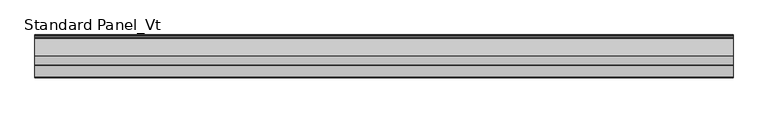
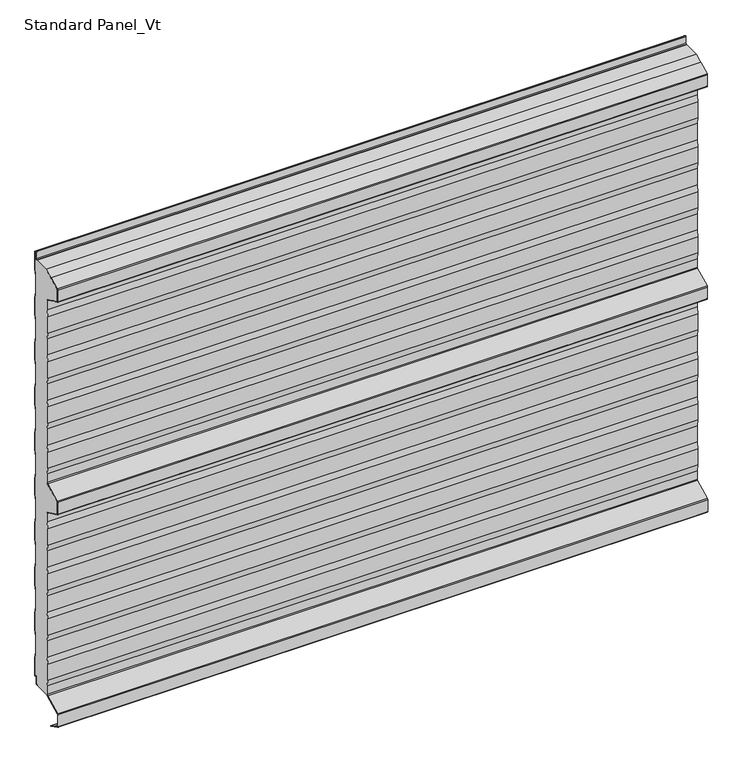
"""IFC4 building model written with IfcOpenShell, lengths in millimetres: proxy geometry, Standard Panel_Vt."""

from ifc_helpers import new_model, si_unit, point, frame, frame_2d, origin, place, context, project, spatial, polyline, circle_curve, trimmed, segment, composite_curve, outline, extrude, source, transform, mapped, element, save
from ifc_brep_helpers import plane_surface, cylinder_surface, revolved_surface, advanced_brep


def standard_panel_vt_a70492f2(model_context):
    return source(origin(), model_context, "Body", "SolidModel", [
        advanced_brep(
        [(-723.9042608, -46.7, 964.8661831), (-723.9042608, -47.9724364, 966.9238791), (-723.9042608, -75.0045421, 980.423058), (-723.9042608, -75.7702853, 980.6504112), (-723.9042608, -77.4301555, 980.8405987), (-723.9042608, -85.9201502, 985.0802964), (-723.9042608, -86.75, 986.4222721), (-723.9042608, -86.75, 1013.5777279), (-723.9042608, -85.9201502, 1014.9197036), (-723.9042608, -44.25, 1035.7287673), (-723.9042608, -8.130172, 1035.8383571), (-723.9042608, -8.130172, 1035.0383571), (-723.9042608, -6.2001721, 1035.0383571), (-723.9042608, -4.0001723, 1037.2383568), (-723.9042608, -4.0001723, 1053.568183), (-723.9042608, -0.8, 1051.4917405), (-723.9042608, -0.8, 1010.6395671), (-723.9042608, -3.3, 995.6395671), (-723.9042608, -3.3, 957.5071471), (-723.9042608, -0.8, 942.5071471), (-723.9042608, -0.8, 904.6395671), (-723.9042608, -3.3, 889.6395671), (-723.9042608, -3.3, 851.5071471), (-723.9042608, -0.8, 836.5071471), (-723.9042608, -0.8, 798.6395671), (-723.9042608, -3.3, 783.6395671), (-723.9042608, -3.3, 745.5071471), (-723.9042608, -0.8, 730.5071471), (-723.9042608, -0.8, 692.6395671), (-723.9042608, -3.3, 677.6395671), (-723.9042608, -3.3, 639.5071471), (-723.9042608, -0.8, 624.5071471), (-723.9042608, -0.8, 586.1395671), (-723.9042608, -3.3, 571.1395671), (-723.9042608, -3.3, 533.0071471), (-723.9042608, -0.8, 518.0071471), (-723.9042608, -0.8, 480.6395671), (-723.9042608, -3.3, 465.6395671), (-723.9042608, -3.3, 427.5071471), (-723.9042608, -0.8, 412.5071471), (-723.9042608, -0.8, 374.6395671), (-723.9042608, -3.3, 359.6395671), (-723.9042608, -3.3, 321.5071471), (-723.9042608, -0.8, 306.5071471), (-723.9042608, -0.8, 268.6395671), (-723.9042608, -3.3, 253.6395671), (-723.9042608, -3.3, 215.5071471), (-723.9042608, -0.8, 200.5071471), (-723.9042608, -0.8, 162.6395671), (-723.9042608, -3.3, 147.6395671), (-723.9042608, -3.3, 109.5071471), (-723.9042608, -0.8, 94.5071471), (-723.9042608, -0.8, 53.3990389), (-723.9042608, -3.3204106, 55.0344157), (-723.9042608, -6.1001721, 53.5244265), (-723.9042608, -6.1001721, 37.9383564), (-723.9042608, -7.4001714, 36.6383571), (-723.9042608, -9.4001722, 36.6383571), (-723.9042608, -9.4001722, 35.8), (-723.9042608, -47.1622719, 35.7673446), (-723.9042608, -46.7, 37.3959608), (-723.9042608, -46.7, 57.6094989), (-723.9042608, -49.2, 72.448892), (-723.9042608, -49.2, 110.5241033), (-723.9042608, -46.7, 125.3634964), (-723.9042608, -46.7, 163.6094989), (-723.9042608, -49.2, 178.448892), (-723.9042608, -49.2, 216.5241033), (-723.9042608, -46.7, 231.3634964), (-723.9042608, -46.7, 269.6094989), (-723.9042608, -49.2, 284.448892), (-723.9042608, -49.2, 322.5241033), (-723.9042608, -46.7, 337.3634964), (-723.9042608, -46.7, 375.6094989), (-723.9042608, -49.2, 390.448892), (-723.9042608, -49.2, 428.5241033), (-723.9042608, -46.7, 443.3634964), (-723.9042608, -46.7, 463.5777279), (-723.9042608, -48.415023, 466.3511443), (-723.9042608, -85.9201502, 485.0802964), (-723.9042608, -86.75, 486.4222721), (-723.9042608, -86.75, 513.5777279), (-723.9042608, -85.9201502, 514.9197036), (-723.9042608, -48.415023, 533.6488557), (-723.9042608, -46.7, 536.4222721), (-723.9042608, -46.7, 556.6365036), (-723.9042608, -49.2, 571.4758967), (-723.9042608, -49.2, 609.551108), (-723.9042608, -46.7, 624.3905011), (-723.9042608, -46.7, 662.6365036), (-723.9042608, -49.2, 677.4758967), (-723.9042608, -49.2, 715.551108), (-723.9042608, -46.7, 730.3905011), (-723.9042608, -46.7, 768.6365036), (-723.9042608, -49.2, 783.4758967), (-723.9042608, -49.2, 821.551108), (-723.9042608, -46.7, 836.3905011), (-723.9042608, -46.7, 874.6365036), (-723.9042608, -49.2, 889.4758967), (-723.9042608, -49.2, 927.551108), (-723.9042608, -46.7, 942.3905011), (723.9042608, -46.7, 964.8661831), (723.9042608, -46.7, 942.3905011), (723.9042608, -49.2, 927.551108), (723.9042608, -49.2, 889.4758967), (723.9042608, -46.7, 874.6365036), (723.9042608, -46.7, 836.3905011), (723.9042608, -49.2, 821.551108), (723.9042608, -49.2, 783.4758967), (723.9042608, -46.7, 768.6365036), (723.9042608, -46.7, 730.3905011), (723.9042608, -49.2, 715.551108), (723.9042608, -49.2, 677.4758967), (723.9042608, -46.7, 662.6365036), (723.9042608, -46.7, 624.3905011), (723.9042608, -49.2, 609.551108), (723.9042608, -49.2, 571.4758967), (723.9042608, -46.7, 556.6365036), (723.9042608, -46.7, 536.4222721), (723.9042608, -48.415023, 533.6488557), (723.9042608, -85.9201502, 514.9197036), (723.9042608, -86.75, 513.5777279), (723.9042608, -86.75, 486.4222721), (723.9042608, -85.9201502, 485.0802964), (723.9042608, -48.415023, 466.3511443), (723.9042608, -46.7, 463.5777279), (723.9042608, -46.7, 443.3634964), (723.9042608, -49.2, 428.5241033), (723.9042608, -49.2, 390.448892), (723.9042608, -46.7, 375.6094989), (723.9042608, -46.7, 337.3634964), (723.9042608, -49.2, 322.5241033), (723.9042608, -49.2, 284.448892), (723.9042608, -46.7, 269.6094989), (723.9042608, -46.7, 231.3634964), (723.9042608, -49.2, 216.5241033), (723.9042608, -49.2, 178.448892), (723.9042608, -46.7, 163.6094989), (723.9042608, -46.7, 125.3634964), (723.9042608, -49.2, 110.5241033), (723.9042608, -49.2, 72.448892), (723.9042608, -46.7, 57.6094989), (723.9042608, -46.7, 37.3959608), (723.9042608, -47.1622719, 35.7673446), (723.9042608, -9.4001722, 35.8), (723.9042608, -9.4001722, 36.6383571), (723.9042608, -7.4001714, 36.6383571), (723.9042608, -6.1001721, 37.9383564), (723.9042608, -6.1001721, 53.5244265), (723.9042608, -3.3204106, 55.0344157), (723.9042608, -0.8, 53.3990389), (723.9042608, -0.8, 94.5071471), (723.9042608, -3.3, 109.5071471), (723.9042608, -3.3, 147.6395671), (723.9042608, -0.8, 162.6395671), (723.9042608, -0.8, 200.5071471), (723.9042608, -3.3, 215.5071471), (723.9042608, -3.3, 253.6395671), (723.9042608, -0.8, 268.6395671), (723.9042608, -0.8, 306.5071471), (723.9042608, -3.3, 321.5071471), (723.9042608, -3.3, 359.6395671), (723.9042608, -0.8, 374.6395671), (723.9042608, -0.8, 412.5071471), (723.9042608, -3.3, 427.5071471), (723.9042608, -3.3, 465.6395671), (723.9042608, -0.8, 480.6395671), (723.9042608, -0.8, 518.0071471), (723.9042608, -3.3, 533.0071471), (723.9042608, -3.3, 571.1395671), (723.9042608, -0.8, 586.1395671), (723.9042608, -0.8, 624.5071471), (723.9042608, -3.3, 639.5071471), (723.9042608, -3.3, 677.6395671), (723.9042608, -0.8, 692.6395671), (723.9042608, -0.8, 730.5071471), (723.9042608, -3.3, 745.5071471), (723.9042608, -3.3, 783.6395671), (723.9042608, -0.8, 798.6395671), (723.9042608, -0.8, 836.5071471), (723.9042608, -3.3, 851.5071471), (723.9042608, -3.3, 889.6395671), (723.9042608, -0.8, 904.6395671), (723.9042608, -0.8, 942.5071471), (723.9042608, -3.3, 957.5071471), (723.9042608, -3.3, 995.6395671), (723.9042608, -0.8, 1010.6395671), (723.9042608, -0.8, 1051.4917405), (723.9042608, -4.0001723, 1053.568183), (723.9042608, -4.0001723, 1037.2383568), (723.9042608, -6.2001721, 1035.0383571), (723.9042608, -8.130172, 1035.0383571), (723.9042608, -8.130172, 1035.8383571), (723.9042608, -44.25, 1035.8), (723.9042608, -85.9201502, 1014.9197036), (723.9042608, -86.75, 1013.5777279), (723.9042608, -86.75, 986.4222721), (723.9042608, -85.9201502, 985.0802964), (723.9042608, -77.4301555, 980.8405987), (723.9042608, -75.7702853, 980.6504112), (723.9042608, -75.0045421, 980.423058), (723.9042608, -47.9724364, 966.9238791)],
        [
            (0, 1, circle_curve(frame((-723.9042608, -49.0, 964.8661831), z_axis=(1.0, 0.0, 0.0), x_axis=(0.0, 0.0, 1.0)), 2.3)),
            (1, 2),
            (2, 3, circle_curve(frame((-723.9042608, -76.0321057, 978.3653619), z_axis=(1.0, 0.0, 0.0), x_axis=(0.0, 0.0, 1.0)), 2.3)),
            (3, 4),
            (4, 5),
            (5, 6, circle_curve(frame((-723.9042608, -85.25, 986.4222721), z_axis=(-1.0, 0.0, 0.0), x_axis=(0.0, 0.0, 1.0)), 1.5)),
            (6, 7),
            (7, 8, circle_curve(frame((-723.9042608, -85.25, 1013.5777279), z_axis=(-1.0, 0.0, 0.0), x_axis=(0.0, 0.0, 1.0)), 1.5)),
            (8, 9),
            (9, 10),
            (10, 11),
            (11, 12),
            (12, 13, circle_curve(frame((-723.9042608, -6.2001721, 1037.2383568), z_axis=(1.0, 0.0, 0.0), x_axis=(0.0, 0.0, 1.0)), 2.1999997)),
            (13, 14),
            (14, 15),
            (15, 16),
            (16, 17),
            (17, 18),
            (18, 19),
            (19, 20),
            (20, 21),
            (21, 22),
            (22, 23),
            (23, 24),
            (24, 25),
            (25, 26),
            (26, 27),
            (27, 28),
            (28, 29),
            (29, 30),
            (30, 31),
            (31, 32),
            (32, 33),
            (33, 34),
            (34, 35),
            (35, 36),
            (36, 37),
            (37, 38),
            (38, 39),
            (39, 40),
            (40, 41),
            (41, 42),
            (42, 43),
            (43, 44),
            (44, 45),
            (45, 46),
            (46, 47),
            (47, 48),
            (48, 49),
            (49, 50),
            (50, 51),
            (51, 52),
            (52, 53),
            (53, 54, circle_curve(frame((-723.9042608, -4.3001721, 53.5244265), z_axis=(1.0, 0.0, 0.0), x_axis=(0.0, 0.0, 1.0)), 1.8)),
            (54, 55),
            (55, 56, circle_curve(frame((-723.9042608, -7.4001714, 37.9383564), z_axis=(-1.0, 0.0, 0.0), x_axis=(0.0, 0.0, 1.0)), 1.2999993)),
            (56, 57),
            (57, 58),
            (58, 59),
            (59, 60, circle_curve(frame((-723.9042608, -49.8, 37.3959608), z_axis=(1.0, 0.0, 0.0), x_axis=(0.0, 0.0, 1.0)), 3.1)),
            (60, 61),
            (61, 62),
            (62, 63),
            (63, 64),
            (64, 65),
            (65, 66),
            (66, 67),
            (67, 68),
            (68, 69),
            (69, 70),
            (70, 71),
            (71, 72),
            (72, 73),
            (73, 74),
            (74, 75),
            (75, 76),
            (76, 77),
            (77, 78, circle_curve(frame((-723.9042608, -49.8, 463.5777279), z_axis=(1.0, 0.0, 0.0), x_axis=(0.0, 0.0, 1.0)), 3.1)),
            (78, 79),
            (79, 80, circle_curve(frame((-723.9042608, -85.25, 486.4222721), z_axis=(-1.0, 0.0, 0.0), x_axis=(0.0, 0.0, 1.0)), 1.5)),
            (80, 81),
            (81, 82, circle_curve(frame((-723.9042608, -85.25, 513.5777279), z_axis=(-1.0, 0.0, 0.0), x_axis=(0.0, 0.0, 1.0)), 1.5)),
            (82, 83),
            (83, 84, circle_curve(frame((-723.9042608, -49.8, 536.4222721), z_axis=(1.0, 0.0, 0.0), x_axis=(0.0, 0.0, 1.0)), 3.1)),
            (84, 85),
            (85, 86),
            (86, 87),
            (87, 88),
            (88, 89),
            (89, 90),
            (90, 91),
            (91, 92),
            (92, 93),
            (93, 94),
            (94, 95),
            (95, 96),
            (96, 97),
            (97, 98),
            (98, 99),
            (99, 100),
            (100, 0),
            (101, 102),
            (102, 103),
            (103, 104),
            (104, 105),
            (105, 106),
            (106, 107),
            (107, 108),
            (108, 109),
            (109, 110),
            (110, 111),
            (111, 112),
            (112, 113),
            (113, 114),
            (114, 115),
            (115, 116),
            (116, 117),
            (117, 118),
            (118, 119, circle_curve(frame((723.9042608, -49.8, 536.4222721), z_axis=(-1.0, 0.0, 0.0), x_axis=(0.0, 0.0, 1.0)), 3.1)),
            (119, 120),
            (120, 121, circle_curve(frame((723.9042608, -85.25, 513.5777279), z_axis=(1.0, 0.0, 0.0), x_axis=(0.0, 0.0, 1.0)), 1.5)),
            (121, 122),
            (122, 123, circle_curve(frame((723.9042608, -85.25, 486.4222721), z_axis=(1.0, 0.0, 0.0), x_axis=(0.0, 0.0, 1.0)), 1.5)),
            (123, 124),
            (124, 125, circle_curve(frame((723.9042608, -49.8, 463.5777279), z_axis=(-1.0, 0.0, 0.0), x_axis=(0.0, 0.0, 1.0)), 3.1)),
            (125, 126),
            (126, 127),
            (127, 128),
            (128, 129),
            (129, 130),
            (130, 131),
            (131, 132),
            (132, 133),
            (133, 134),
            (134, 135),
            (135, 136),
            (136, 137),
            (137, 138),
            (138, 139),
            (139, 140),
            (140, 141),
            (141, 142),
            (142, 143, circle_curve(frame((723.9042608, -49.8, 37.3959608), z_axis=(-1.0, 0.0, 0.0), x_axis=(0.0, 0.0, 1.0)), 3.1)),
            (143, 144),
            (144, 145),
            (145, 146),
            (146, 147, circle_curve(frame((723.9042608, -7.4001714, 37.9383564), z_axis=(1.0, 0.0, 0.0), x_axis=(0.0, 0.0, 1.0)), 1.2999993)),
            (147, 148),
            (148, 149, circle_curve(frame((723.9042608, -4.3001721, 53.5244265), z_axis=(-1.0, 0.0, 0.0), x_axis=(0.0, 0.0, 1.0)), 1.8)),
            (149, 150),
            (150, 151),
            (151, 152),
            (152, 153),
            (153, 154),
            (154, 155),
            (155, 156),
            (156, 157),
            (157, 158),
            (158, 159),
            (159, 160),
            (160, 161),
            (161, 162),
            (162, 163),
            (163, 164),
            (164, 165),
            (165, 166),
            (166, 167),
            (167, 168),
            (168, 169),
            (169, 170),
            (170, 171),
            (171, 172),
            (172, 173),
            (173, 174),
            (174, 175),
            (175, 176),
            (176, 177),
            (177, 178),
            (178, 179),
            (179, 180),
            (180, 181),
            (181, 182),
            (182, 183),
            (183, 184),
            (184, 185),
            (185, 186),
            (186, 187),
            (187, 188),
            (188, 189),
            (189, 190, circle_curve(frame((723.9042608, -6.2001721, 1037.2383568), z_axis=(-1.0, 0.0, 0.0), x_axis=(0.0, 0.0, 1.0)), 2.1999997)),
            (190, 191),
            (191, 192),
            (192, 193),
            (193, 194),
            (194, 195, circle_curve(frame((723.9042608, -85.25, 1013.5777279), z_axis=(1.0, 0.0, 0.0), x_axis=(0.0, 0.0, 1.0)), 1.5)),
            (195, 196),
            (196, 197, circle_curve(frame((723.9042608, -85.25, 986.4222721), z_axis=(1.0, 0.0, 0.0), x_axis=(0.0, 0.0, 1.0)), 1.5)),
            (197, 198),
            (198, 199),
            (199, 200, circle_curve(frame((723.9042608, -76.0321057, 978.3653619), z_axis=(-1.0, 0.0, 0.0), x_axis=(0.0, 0.0, 1.0)), 2.3)),
            (200, 201),
            (201, 101, circle_curve(frame((723.9042608, -49.0, 964.8661831), z_axis=(-1.0, 0.0, 0.0), x_axis=(0.0, 0.0, 1.0)), 2.3)),
            (0, 101),
            (201, 1),
            (200, 2),
            (199, 3),
            (198, 4),
            (197, 5),
            (196, 6),
            (195, 7),
            (194, 8),
            (193, 9),
            (58, 144),
            (143, 59),
            (142, 60),
            (141, 61),
            (140, 62),
            (139, 63),
            (138, 64),
            (137, 65),
            (136, 66),
            (135, 67),
            (134, 68),
            (133, 69),
            (132, 70),
            (131, 71),
            (130, 72),
            (129, 73),
            (128, 74),
            (127, 75),
            (126, 76),
            (125, 77),
            (124, 78),
            (123, 79),
            (122, 80),
            (121, 81),
            (120, 82),
            (119, 83),
            (118, 84),
            (117, 85),
            (116, 86),
            (115, 87),
            (114, 88),
            (113, 89),
            (112, 90),
            (111, 91),
            (110, 92),
            (109, 93),
            (108, 94),
            (107, 95),
            (106, 96),
            (105, 97),
            (104, 98),
            (103, 99),
            (102, 100),
            (192, 10),
            (57, 145),
            (12, 190),
            (189, 13),
            (188, 14),
            (187, 15),
            (186, 16),
            (185, 17),
            (184, 18),
            (183, 19),
            (182, 20),
            (181, 21),
            (180, 22),
            (179, 23),
            (178, 24),
            (177, 25),
            (176, 26),
            (175, 27),
            (174, 28),
            (173, 29),
            (172, 30),
            (171, 31),
            (170, 32),
            (169, 33),
            (168, 34),
            (167, 35),
            (166, 36),
            (165, 37),
            (164, 38),
            (163, 39),
            (162, 40),
            (161, 41),
            (160, 42),
            (159, 43),
            (158, 44),
            (157, 45),
            (156, 46),
            (155, 47),
            (154, 48),
            (153, 49),
            (152, 50),
            (151, 51),
            (150, 52),
            (149, 53),
            (148, 54),
            (147, 55),
            (146, 56),
            (191, 11),
        ],
        [
            plane_surface(frame((-723.9042608, -49.2, 500.0), z_axis=(-1.0, 0.0, 0.0), x_axis=(0.0, 1.0, 0.0))),
            plane_surface(frame((723.9042608, -49.2, 500.0), z_axis=(1.0, 0.0, 0.0), x_axis=(0.0, 1.0, 0.0))),
            revolved_surface(polyline([(723.9042608, -49.0, 967.1661830999999), (-723.9042608, -49.0, 967.1661830999999)]), (-723.9042608, -49.0, 964.8661831), (1.0, 0.0, 0.0)),
            plane_surface(frame((-723.9042608, -75.0045421, 980.423058), z_axis=(0.0, -0.44676677293789996, -0.8946504628058127), x_axis=(1.0, 0.0, 0.0))),
            revolved_surface(polyline([(723.9042608, -76.0321057, 980.6653619), (-723.9042608, -76.0321057, 980.6653619)]), (-723.9042608, -76.0321057, 978.3653619), (1.0, 0.0, 0.0)),
            plane_surface(frame((-723.9042608, -77.4301555, 980.8405987), z_axis=(0.0, -0.11383496024223502, -0.9934996737929253), x_axis=(1.0, 0.0, 0.0))),
            plane_surface(frame((-723.9042608, -85.9201502, 985.0802964), z_axis=(0.0, -0.44676677293837186, -0.8946504628055771), x_axis=(1.0, 0.0, 0.0))),
            cylinder_surface(frame((-723.9042608, -85.25, 986.4222721), z_axis=(-1.0, 0.0, 0.0), x_axis=(0.0, 0.0, 1.0)), 1.5),
            plane_surface(frame((-723.9042608, -86.75, 1013.5777279), z_axis=(0.0, -1.0, 0.0), x_axis=(1.0, 0.0, 0.0))),
            cylinder_surface(frame((-723.9042608, -85.25, 1013.5777279), z_axis=(-1.0, 0.0, 0.0), x_axis=(0.0, 0.0, 1.0)), 1.5),
            plane_surface(frame((-723.9042608, -44.25, 1035.7287673), z_axis=(0.0, -0.44676677293660805, 0.8946504628064579), x_axis=(1.0, 0.0, 0.0))),
            plane_surface(frame((-723.9042608, -47.1622719, 35.7673446), z_axis=(0.0, 0.0, -1.0), x_axis=(1.0, 0.0, 0.0))),
            revolved_surface(polyline([(723.9042608, -49.8, 40.4959608), (-723.9042608, -49.8, 40.4959608)]), (-723.9042608, -49.8, 37.3959608), (1.0, 0.0, 0.0)),
            plane_surface(frame((-723.9042608, -46.7, 57.6094989), z_axis=(0.0, -1.0, 0.0), x_axis=(1.0, 0.0, 0.0))),
            plane_surface(frame((-723.9042608, -49.2, 72.448892), z_axis=(0.0, -0.9861039564577467, -0.16612942863435845), x_axis=(1.0, 0.0, 0.0))),
            plane_surface(frame((-723.9042608, -49.2, 110.5241033), z_axis=(0.0, -1.0, 0.0), x_axis=(1.0, 0.0, 0.0))),
            plane_surface(frame((-723.9042608, -46.7, 125.3634964), z_axis=(0.0, -0.9861039564577161, 0.1661294286345407), x_axis=(1.0, 0.0, 0.0))),
            plane_surface(frame((-723.9042608, -46.7, 163.6094989), z_axis=(0.0, -1.0, 0.0), x_axis=(1.0, 0.0, 0.0))),
            plane_surface(frame((-723.9042608, -49.2, 178.448892), z_axis=(0.0, -0.986103956457719, -0.16612942863452348), x_axis=(1.0, 0.0, 0.0))),
            plane_surface(frame((-723.9042608, -49.2, 216.5241033), z_axis=(0.0, -1.0, 0.0), x_axis=(1.0, 0.0, 0.0))),
            plane_surface(frame((-723.9042608, -46.7, 231.3634964), z_axis=(0.0, -0.9861039564577161, 0.1661294286345407), x_axis=(1.0, 0.0, 0.0))),
            plane_surface(frame((-723.9042608, -46.7, 269.6094989), z_axis=(0.0, -1.0, 0.0), x_axis=(1.0, 0.0, 0.0))),
            plane_surface(frame((-723.9042608, -49.2, 284.448892), z_axis=(0.0, -0.9861039564577467, -0.16612942863435845), x_axis=(1.0, 0.0, 0.0))),
            plane_surface(frame((-723.9042608, -49.2, 322.5241033), z_axis=(0.0, -1.0, 0.0), x_axis=(1.0, 0.0, 0.0))),
            plane_surface(frame((-723.9042608, -46.7, 337.3634964), z_axis=(0.0, -0.9861039564576843, 0.1661294286347293), x_axis=(1.0, 0.0, 0.0))),
            plane_surface(frame((-723.9042608, -46.7, 375.6094989), z_axis=(0.0, -1.0, 0.0), x_axis=(1.0, 0.0, 0.0))),
            plane_surface(frame((-723.9042608, -49.2, 390.448892), z_axis=(0.0, -0.986103956457719, -0.16612942863452348), x_axis=(1.0, 0.0, 0.0))),
            plane_surface(frame((-723.9042608, -49.2, 428.5241033), z_axis=(0.0, -1.0, 0.0), x_axis=(1.0, 0.0, 0.0))),
            plane_surface(frame((-723.9042608, -46.7, 443.3634964), z_axis=(0.0, -0.9861039564577478, 0.16612942863435207), x_axis=(1.0, 0.0, 0.0))),
            plane_surface(frame((-723.9042608, -46.7, 463.5777279), z_axis=(0.0, -1.0, 0.0), x_axis=(1.0, 0.0, 0.0))),
            revolved_surface(polyline([(723.9042608, -49.8, 466.67772790000004), (-723.9042608, -49.8, 466.67772790000004)]), (-723.9042608, -49.8, 463.5777279), (1.0, 0.0, 0.0)),
            plane_surface(frame((-723.9042608, -85.9201502, 485.0802964), z_axis=(0.0, -0.44676677293736405, -0.8946504628060804), x_axis=(1.0, 0.0, 0.0))),
            cylinder_surface(frame((-723.9042608, -85.25, 486.4222721), z_axis=(-1.0, 0.0, 0.0), x_axis=(0.0, 0.0, 1.0)), 1.5),
            plane_surface(frame((-723.9042608, -86.75, 513.5777279), z_axis=(0.0, -1.0, 0.0), x_axis=(1.0, 0.0, 0.0))),
            cylinder_surface(frame((-723.9042608, -85.25, 513.5777279), z_axis=(-1.0, 0.0, 0.0), x_axis=(0.0, 0.0, 1.0)), 1.5),
            plane_surface(frame((-723.9042608, -48.415023, 533.6488557), z_axis=(0.0, -0.4467667729375559, 0.8946504628059846), x_axis=(1.0, 0.0, 0.0))),
            revolved_surface(polyline([(723.9042608, -49.8, 539.5222721), (-723.9042608, -49.8, 539.5222721)]), (-723.9042608, -49.8, 536.4222721), (1.0, 0.0, 0.0)),
            plane_surface(frame((-723.9042608, -46.7, 556.6365036), z_axis=(0.0, -1.0, 0.0), x_axis=(1.0, 0.0, 0.0))),
            plane_surface(frame((-723.9042608, -49.2, 571.4758967), z_axis=(0.0, -0.9861039564577035, -0.16612942863461475), x_axis=(1.0, 0.0, 0.0))),
            plane_surface(frame((-723.9042608, -49.2, 609.551108), z_axis=(0.0, -1.0, 0.0), x_axis=(1.0, 0.0, 0.0))),
            plane_surface(frame((-723.9042608, -46.7, 624.3905011), z_axis=(0.0, -0.9861039564576689, 0.16612942863482055), x_axis=(1.0, 0.0, 0.0))),
            plane_surface(frame((-723.9042608, -46.7, 662.6365036), z_axis=(0.0, -1.0, 0.0), x_axis=(1.0, 0.0, 0.0))),
            plane_surface(frame((-723.9042608, -49.2, 677.4758967), z_axis=(0.0, -0.986103956457711, -0.16612942863457064), x_axis=(1.0, 0.0, 0.0))),
            plane_surface(frame((-723.9042608, -49.2, 715.551108), z_axis=(0.0, -1.0, 0.0), x_axis=(1.0, 0.0, 0.0))),
            plane_surface(frame((-723.9042608, -46.7, 730.3905011), z_axis=(0.0, -0.9861039564577478, 0.16612942863435207), x_axis=(1.0, 0.0, 0.0))),
            plane_surface(frame((-723.9042608, -46.7, 768.6365036), z_axis=(0.0, -1.0, 0.0), x_axis=(1.0, 0.0, 0.0))),
            plane_surface(frame((-723.9042608, -49.2, 783.4758967), z_axis=(0.0, -0.986103956457715, -0.16612942863454708), x_axis=(1.0, 0.0, 0.0))),
            plane_surface(frame((-723.9042608, -49.2, 821.551108), z_axis=(0.0, -1.0, 0.0), x_axis=(1.0, 0.0, 0.0))),
            plane_surface(frame((-723.9042608, -46.7, 836.3905011), z_axis=(0.0, -0.9861039564577161, 0.1661294286345407), x_axis=(1.0, 0.0, 0.0))),
            plane_surface(frame((-723.9042608, -46.7, 874.6365036), z_axis=(0.0, -1.0, 0.0), x_axis=(1.0, 0.0, 0.0))),
            plane_surface(frame((-723.9042608, -49.2, 889.4758967), z_axis=(0.0, -0.986103956457715, -0.16612942863454708), x_axis=(1.0, 0.0, 0.0))),
            plane_surface(frame((-723.9042608, -49.2, 927.551108), z_axis=(0.0, -1.0, 0.0), x_axis=(1.0, 0.0, 0.0))),
            plane_surface(frame((-723.9042608, -46.7, 942.3905011), z_axis=(0.0, -0.9861039564576843, 0.1661294286347293), x_axis=(1.0, 0.0, 0.0))),
            plane_surface(frame((-723.9042608, -46.7, 964.8661831), z_axis=(0.0, -1.0, 0.0), x_axis=(1.0, 0.0, 0.0))),
            plane_surface(frame((723.9042608, -44.25, 1035.8), z_axis=(0.0, 0.0, 1.0), x_axis=(-1.0, 0.0, 0.0))),
            plane_surface(frame((723.9042608, -9.4001722, 1035.8), z_axis=(0.0, 1.0, 0.0), x_axis=(-1.0, 0.0, 0.0))),
            revolved_surface(polyline([(723.9042608, -6.2001721, 1039.4383565), (-723.9042608, -6.2001721, 1039.4383565)]), (-723.9042608, -6.2001721, 1037.2383568), (1.0, 0.0, 0.0)),
            plane_surface(frame((-723.9042608, -4.0001723, 1053.568183), z_axis=(0.0, -1.0, 0.0), x_axis=(1.0, 0.0, 0.0))),
            plane_surface(frame((-723.9042608, -0.8, 1051.4917405), z_axis=(0.0, 0.5443119480328179, 0.8388828900560071), x_axis=(1.0, 0.0, 0.0))),
            plane_surface(frame((-723.9042608, -0.8, 1010.6395671), z_axis=(0.0, 1.0, 0.0), x_axis=(1.0, 0.0, 0.0))),
            plane_surface(frame((-723.9042608, -3.3, 995.6395671), z_axis=(0.0, 0.9863939238321534, -0.16439898730529956), x_axis=(1.0, 0.0, 0.0))),
            plane_surface(frame((-723.9042608, -3.3, 957.5071471), z_axis=(0.0, 1.0, 0.0), x_axis=(1.0, 0.0, 0.0))),
            plane_surface(frame((-723.9042608, -0.8, 942.5071471), z_axis=(0.0, 0.9863939238321456, 0.1643989873053465), x_axis=(1.0, 0.0, 0.0))),
            plane_surface(frame((-723.9042608, -0.8, 904.6395671), z_axis=(0.0, 1.0, 0.0), x_axis=(1.0, 0.0, 0.0))),
            plane_surface(frame((-723.9042608, -3.3, 889.6395671), z_axis=(0.0, 0.9863939238321452, -0.16439898730534863), x_axis=(1.0, 0.0, 0.0))),
            plane_surface(frame((-723.9042608, -3.3, 851.5071471), z_axis=(0.0, 1.0, 0.0), x_axis=(1.0, 0.0, 0.0))),
            plane_surface(frame((-723.9042608, -0.8, 836.5071471), z_axis=(0.0, 0.9863939238321413, 0.16439898730537209), x_axis=(1.0, 0.0, 0.0))),
            plane_surface(frame((-723.9042608, -0.8, 798.6395671), z_axis=(0.0, 1.0, 0.0), x_axis=(1.0, 0.0, 0.0))),
            plane_surface(frame((-723.9042608, -3.3, 783.6395671), z_axis=(0.0, 0.9863939238321713, -0.164398987305192), x_axis=(1.0, 0.0, 0.0))),
            plane_surface(frame((-723.9042608, -3.3, 745.5071471), z_axis=(0.0, 1.0, 0.0), x_axis=(1.0, 0.0, 0.0))),
            plane_surface(frame((-723.9042608, -0.8, 730.5071471), z_axis=(0.0, 0.9863939238321595, 0.16439898730526276), x_axis=(1.0, 0.0, 0.0))),
            plane_surface(frame((-723.9042608, -0.8, 692.6395671), z_axis=(0.0, 1.0, 0.0), x_axis=(1.0, 0.0, 0.0))),
            plane_surface(frame((-723.9042608, -3.3, 677.6395671), z_axis=(0.0, 0.9863939238321285, -0.16439898730544858), x_axis=(1.0, 0.0, 0.0))),
            plane_surface(frame((-723.9042608, -3.3, 639.5071471), z_axis=(0.0, 1.0, 0.0), x_axis=(1.0, 0.0, 0.0))),
            plane_surface(frame((-723.9042608, -0.8, 624.5071471), z_axis=(0.0, 0.986393923832452, 0.16439898730350827), x_axis=(1.0, 0.0, 0.0))),
            plane_surface(frame((-723.9042608, -0.8, 586.1395671), z_axis=(0.0, 1.0, 0.0), x_axis=(1.0, 0.0, 0.0))),
            plane_surface(frame((-723.9042608, -3.3, 571.1395671), z_axis=(0.0, 0.986393923832151, -0.16439898730531435), x_axis=(1.0, 0.0, 0.0))),
            plane_surface(frame((-723.9042608, -3.3, 533.0071471), z_axis=(0.0, 1.0, 0.0), x_axis=(1.0, 0.0, 0.0))),
            plane_surface(frame((-723.9042608, -0.8, 518.0071471), z_axis=(0.0, 0.9863939238329182, 0.1643989873007107), x_axis=(1.0, 0.0, 0.0))),
            plane_surface(frame((-723.9042608, -0.8, 480.6395671), z_axis=(0.0, 1.0, 0.0), x_axis=(1.0, 0.0, 0.0))),
            plane_surface(frame((-723.9042608, -3.3, 465.6395671), z_axis=(0.0, 0.986393923832576, -0.1643989873027638), x_axis=(1.0, 0.0, 0.0))),
            plane_surface(frame((-723.9042608, -3.3, 427.5071471), z_axis=(0.0, 1.0, 0.0), x_axis=(1.0, 0.0, 0.0))),
            plane_surface(frame((-723.9042608, -0.8, 412.5071471), z_axis=(0.0, 0.9863939238321462, 0.1643989873053435), x_axis=(1.0, 0.0, 0.0))),
            plane_surface(frame((-723.9042608, -0.8, 374.6395671), z_axis=(0.0, 1.0, 0.0), x_axis=(1.0, 0.0, 0.0))),
            plane_surface(frame((-723.9042608, -3.3, 359.6395671), z_axis=(0.0, 0.9863939238321415, -0.16439898730537109), x_axis=(1.0, 0.0, 0.0))),
            plane_surface(frame((-723.9042608, -3.3, 321.5071471), z_axis=(0.0, 1.0, 0.0), x_axis=(1.0, 0.0, 0.0))),
            plane_surface(frame((-723.9042608, -0.8, 306.5071471), z_axis=(0.0, 0.9863939238321462, 0.1643989873053435), x_axis=(1.0, 0.0, 0.0))),
            plane_surface(frame((-723.9042608, -0.8, 268.6395671), z_axis=(0.0, 1.0, 0.0), x_axis=(1.0, 0.0, 0.0))),
            plane_surface(frame((-723.9042608, -3.3, 253.6395671), z_axis=(0.0, 0.9863939238321723, -0.16439898730518634), x_axis=(1.0, 0.0, 0.0))),
            plane_surface(frame((-723.9042608, -3.3, 215.5071471), z_axis=(0.0, 1.0, 0.0), x_axis=(1.0, 0.0, 0.0))),
            plane_surface(frame((-723.9042608, -0.8, 200.5071471), z_axis=(0.0, 0.9863939238321462, 0.1643989873053435), x_axis=(1.0, 0.0, 0.0))),
            plane_surface(frame((-723.9042608, -0.8, 162.6395671), z_axis=(0.0, 1.0, 0.0), x_axis=(1.0, 0.0, 0.0))),
            plane_surface(frame((-723.9042608, -3.3, 147.6395671), z_axis=(0.0, 0.9863939238321415, -0.16439898730537109), x_axis=(1.0, 0.0, 0.0))),
            plane_surface(frame((-723.9042608, -3.3, 109.5071471), z_axis=(0.0, 1.0, 0.0), x_axis=(1.0, 0.0, 0.0))),
            plane_surface(frame((-723.9042608, -0.8, 94.5071471), z_axis=(0.0, 0.9863939238321769, 0.16439898730515876), x_axis=(1.0, 0.0, 0.0))),
            plane_surface(frame((-723.9042608, -0.8, 53.3990389), z_axis=(0.0, 1.0, 0.0), x_axis=(1.0, 0.0, 0.0))),
            plane_surface(frame((-723.9042608, -3.3204106, 55.0344157), z_axis=(0.0, -0.5443119480359504, -0.8388828900539747), x_axis=(1.0, 0.0, 0.0))),
            revolved_surface(polyline([(723.9042608, -4.3001721, 55.324426499999994), (-723.9042608, -4.3001721, 55.324426499999994)]), (-723.9042608, -4.3001721, 53.5244265), (1.0, 0.0, 0.0)),
            plane_surface(frame((-723.9042608, -6.1001721, 37.9383564), z_axis=(0.0, 1.0, 0.0), x_axis=(1.0, 0.0, 0.0))),
            cylinder_surface(frame((-723.9042608, -7.4001714, 37.9383564), z_axis=(-1.0, 0.0, 0.0), x_axis=(0.0, 0.0, 1.0)), 1.2999993),
            plane_surface(frame((-723.9042608, -9.4001722, 36.6383571), z_axis=(0.0, 0.0, -1.0), x_axis=(1.0, 0.0, 0.0))),
            plane_surface(frame((-723.9042608, -8.130172, 1035.0383571), z_axis=(0.0, 1.0, 0.0), x_axis=(1.0, 0.0, 0.0))),
            plane_surface(frame((-723.9042608, -6.2001721, 1035.0383571), z_axis=(0.0, 0.0, 1.0), x_axis=(1.0, 0.0, 0.0))),
        ],
        [
            (0, [[1, 2, 3, 4, 5, 6, 7, 8, 9, 10, 11, 12, 13, 14, 15, 16, 17, 18, 19, 20, 21, 22, 23, 24, 25, 26, 27, 28, 29, 30, 31, 32, 33, 34, 35, 36, 37, 38, 39, 40, 41, 42, 43, 44, 45, 46, 47, 48, 49, 50, 51, 52, 53, 54, 55, 56, 57, 58, 59, 60, 61, 62, 63, 64, 65, 66, 67, 68, 69, 70, 71, 72, 73, 74, 75, 76, 77, 78, 79, 80, 81, 82, 83, 84, 85, 86, 87, 88, 89, 90, 91, 92, 93, 94, 95, 96, 97, 98, 99, 100, 101]]),
            (1, [[102, 103, 104, 105, 106, 107, 108, 109, 110, 111, 112, 113, 114, 115, 116, 117, 118, 119, 120, 121, 122, 123, 124, 125, 126, 127, 128, 129, 130, 131, 132, 133, 134, 135, 136, 137, 138, 139, 140, 141, 142, 143, 144, 145, 146, 147, 148, 149, 150, 151, 152, 153, 154, 155, 156, 157, 158, 159, 160, 161, 162, 163, 164, 165, 166, 167, 168, 169, 170, 171, 172, 173, 174, 175, 176, 177, 178, 179, 180, 181, 182, 183, 184, 185, 186, 187, 188, 189, 190, 191, 192, 193, 194, 195, 196, 197, 198, 199, 200, 201, 202]]),
            (2, [[203, -202, 204, -1]]),
            (3, [[-204, -201, 205, -2]]),
            (4, [[-205, -200, 206, -3]]),
            (5, [[-206, -199, 207, -4]]),
            (6, [[-207, -198, 208, -5]]),
            (7, [[-208, -197, 209, -6]]),
            (8, [[-209, -196, 210, -7]]),
            (9, [[-210, -195, 211, -8]]),
            (10, [[-211, -194, 212, -9]]),
            (11, [[-59, 213, -144, 214]]),
            (12, [[-214, -143, 215, -60]]),
            (13, [[-215, -142, 216, -61]]),
            (14, [[-216, -141, 217, -62]]),
            (15, [[-217, -140, 218, -63]]),
            (16, [[-218, -139, 219, -64]]),
            (17, [[-219, -138, 220, -65]]),
            (18, [[-220, -137, 221, -66]]),
            (19, [[-221, -136, 222, -67]]),
            (20, [[-222, -135, 223, -68]]),
            (21, [[-223, -134, 224, -69]]),
            (22, [[-224, -133, 225, -70]]),
            (23, [[-225, -132, 226, -71]]),
            (24, [[-226, -131, 227, -72]]),
            (25, [[-227, -130, 228, -73]]),
            (26, [[-228, -129, 229, -74]]),
            (27, [[-229, -128, 230, -75]]),
            (28, [[-230, -127, 231, -76]]),
            (29, [[-231, -126, 232, -77]]),
            (30, [[-232, -125, 233, -78]]),
            (31, [[-233, -124, 234, -79]]),
            (32, [[-234, -123, 235, -80]]),
            (33, [[-235, -122, 236, -81]]),
            (34, [[-236, -121, 237, -82]]),
            (35, [[-237, -120, 238, -83]]),
            (36, [[-238, -119, 239, -84]]),
            (37, [[-239, -118, 240, -85]]),
            (38, [[-240, -117, 241, -86]]),
            (39, [[-241, -116, 242, -87]]),
            (40, [[-242, -115, 243, -88]]),
            (41, [[-243, -114, 244, -89]]),
            (42, [[-244, -113, 245, -90]]),
            (43, [[-245, -112, 246, -91]]),
            (44, [[-246, -111, 247, -92]]),
            (45, [[-247, -110, 248, -93]]),
            (46, [[-248, -109, 249, -94]]),
            (47, [[-249, -108, 250, -95]]),
            (48, [[-250, -107, 251, -96]]),
            (49, [[-251, -106, 252, -97]]),
            (50, [[-252, -105, 253, -98]]),
            (51, [[-253, -104, 254, -99]]),
            (52, [[-254, -103, 255, -100]]),
            (53, [[-255, -102, -203, -101]]),
            (54, [[256, -10, -212, -193]]),
            (55, [[-58, 257, -145, -213]]),
            (56, [[258, -190, 259, -13]]),
            (57, [[-259, -189, 260, -14]]),
            (58, [[-260, -188, 261, -15]]),
            (59, [[-261, -187, 262, -16]]),
            (60, [[-262, -186, 263, -17]]),
            (61, [[-263, -185, 264, -18]]),
            (62, [[-264, -184, 265, -19]]),
            (63, [[-265, -183, 266, -20]]),
            (64, [[-266, -182, 267, -21]]),
            (65, [[-267, -181, 268, -22]]),
            (66, [[-268, -180, 269, -23]]),
            (67, [[-269, -179, 270, -24]]),
            (68, [[-270, -178, 271, -25]]),
            (69, [[-271, -177, 272, -26]]),
            (70, [[-272, -176, 273, -27]]),
            (71, [[-273, -175, 274, -28]]),
            (72, [[-274, -174, 275, -29]]),
            (73, [[-275, -173, 276, -30]]),
            (74, [[-276, -172, 277, -31]]),
            (75, [[-277, -171, 278, -32]]),
            (76, [[-278, -170, 279, -33]]),
            (77, [[-279, -169, 280, -34]]),
            (78, [[-280, -168, 281, -35]]),
            (79, [[-281, -167, 282, -36]]),
            (80, [[-282, -166, 283, -37]]),
            (81, [[-283, -165, 284, -38]]),
            (82, [[-284, -164, 285, -39]]),
            (83, [[-285, -163, 286, -40]]),
            (84, [[-286, -162, 287, -41]]),
            (85, [[-287, -161, 288, -42]]),
            (86, [[-288, -160, 289, -43]]),
            (87, [[-289, -159, 290, -44]]),
            (88, [[-290, -158, 291, -45]]),
            (89, [[-291, -157, 292, -46]]),
            (90, [[-292, -156, 293, -47]]),
            (91, [[-293, -155, 294, -48]]),
            (92, [[-294, -154, 295, -49]]),
            (93, [[-295, -153, 296, -50]]),
            (94, [[-296, -152, 297, -51]]),
            (95, [[-297, -151, 298, -52]]),
            (96, [[-298, -150, 299, -53]]),
            (97, [[-299, -149, 300, -54]]),
            (98, [[-300, -148, 301, -55]]),
            (99, [[-301, -147, 302, -56]]),
            (100, [[-302, -146, -257, -57]]),
            (101, [[-256, -192, 303, -11]]),
            (102, [[-303, -191, -258, -12]]),
        ],
    ),
        extrude(outline(composite_curve([segment(polyline([(-46.7, 964.8661831), (-46.7, 942.3905011), (-49.2, 927.551108), (-49.2, 889.4758967), (-46.7, 874.6365036), (-46.7, 836.3905011), (-49.2, 821.551108), (-49.2, 783.4758967), (-46.7, 768.6365036), (-46.7, 730.3905011), (-49.2, 715.551108), (-49.2, 677.4758967), (-46.7, 662.6365036), (-46.7, 624.3905011), (-49.2, 609.551108), (-49.2, 571.4758967), (-46.7, 556.6365036), (-46.7, 536.4222721)]), True, "CONTINUOUS"), segment(trimmed(circle_curve(frame_2d((-49.8, 536.4222721)), 3.1), [point((-46.7, 536.4222721))], [point((-48.415023, 533.6488557))], False, "CARTESIAN"), True, "CONTINUOUS"), segment(polyline([(-48.415023, 533.6488557), (-85.9201502, 514.9197036)]), True, "CONTINUOUS"), segment(trimmed(circle_curve(frame_2d((-85.25, 513.5777279)), 1.5), [point((-85.9201502, 514.9197036))], [point((-86.75, 513.5777279))], True, "CARTESIAN"), True, "CONTINUOUS"), segment(polyline([(-86.75, 513.5777279), (-86.75, 486.4222721)]), True, "CONTINUOUS"), segment(trimmed(circle_curve(frame_2d((-85.25, 486.4222721)), 1.5), [point((-86.75, 486.4222721))], [point((-85.9201502, 485.0802964))], True, "CARTESIAN"), True, "CONTINUOUS"), segment(polyline([(-85.9201502, 485.0802964), (-48.415023, 466.3511443)]), True, "CONTINUOUS"), segment(trimmed(circle_curve(frame_2d((-49.8, 463.5777279)), 3.1), [point((-48.415023, 466.3511443))], [point((-46.7, 463.5777279))], False, "CARTESIAN"), True, "CONTINUOUS"), segment(polyline([(-46.7, 463.5777279), (-46.7, 443.3634964), (-49.2, 428.5241033), (-49.2, 390.448892), (-46.7, 375.6094989), (-46.7, 337.3634964), (-49.2, 322.5241033), (-49.2, 284.448892), (-46.7, 269.6094989), (-46.7, 231.3634964), (-49.2, 216.5241033), (-49.2, 178.448892), (-46.7, 163.6094989), (-46.7, 125.3634964), (-49.2, 110.5241033), (-49.2, 72.448892), (-46.7, 57.6094989), (-46.7, 37.3959608)]), True, "CONTINUOUS"), segment(trimmed(circle_curve(frame_2d((-49.8, 37.3959608)), 3.1), [point((-46.7, 37.3959608))], [point((-48.4162325, 34.6219407))], False, "CARTESIAN"), True, "CONTINUOUS"), segment(polyline([(-48.4162325, 34.6219407), (-86.910808, 15.419649)]), True, "CONTINUOUS"), segment(trimmed(circle_curve(frame_2d((-86.241243, 14.0773812)), 1.5), [point((-86.910808, 15.419649))], [point((-87.741243, 14.0773812))], True, "CARTESIAN"), True, "CONTINUOUS"), segment(polyline([(-87.741243, 14.0773812), (-87.741243, -14.0773812)]), True, "CONTINUOUS"), segment(trimmed(circle_curve(frame_2d((-86.241243, -14.0773812)), 1.5), [point((-87.741243, -14.0773812))], [point((-86.9113932, -15.4193569))], True, "CARTESIAN"), True, "CONTINUOUS"), segment(polyline([(-86.9113932, -15.4193569), (-74.7640727, -21.4854346), (-74.4066593, -20.7697142), (-61.7026227, -27.1138024)]), True, "CONTINUOUS"), segment(trimmed(circle_curve(frame_2d((-62.0600361, -27.8295227)), 0.8), [point((-61.7026227, -27.1138024))], [point((-62.4174495, -28.5452431))], False, "CARTESIAN"), True, "CONTINUOUS"), segment(polyline([(-62.4174495, -28.5452431), (-87.2688066, -16.1350773)]), True, "CONTINUOUS"), segment(trimmed(circle_curve(frame_2d((-86.241243, -14.0773812)), 2.3), [point((-87.2688066, -16.1350773))], [point((-88.541243, -14.0773812))], False, "CARTESIAN"), True, "CONTINUOUS"), segment(polyline([(-88.541243, -14.0773812), (-88.541243, 14.0773812)]), True, "CONTINUOUS"), segment(trimmed(circle_curve(frame_2d((-86.241243, 14.0773812)), 2.3), [point((-88.541243, 14.0773812))], [point((-87.2679093, 16.1355252))], False, "CARTESIAN"), True, "CONTINUOUS"), segment(polyline([(-87.2679093, 16.1355252), (-48.7733338, 35.3378168)]), True, "CONTINUOUS"), segment(trimmed(circle_curve(frame_2d((-49.8, 37.3959608)), 2.3), [point((-48.7733338, 35.3378168))], [point((-47.5, 37.3959608))], True, "CARTESIAN"), True, "CONTINUOUS"), segment(polyline([(-47.5, 37.3959608), (-47.5, 57.5425822), (-50.0, 72.3819753), (-50.0, 110.59102), (-47.5, 125.4304131), (-47.5, 163.5425822), (-50.0, 178.3819753), (-50.0, 216.59102), (-47.5, 231.4304131), (-47.5, 269.5425822), (-50.0, 284.3819753), (-50.0, 322.59102), (-47.5, 337.4304131), (-47.5, 375.5425822), (-50.0, 390.3819753), (-50.0, 428.59102), (-47.5, 443.4304131), (-47.5, 463.5777279)]), True, "CONTINUOUS"), segment(trimmed(circle_curve(frame_2d((-49.8, 463.5777279)), 2.3), [point((-47.5, 463.5777279))], [point((-48.7724364, 465.6354239))], True, "CARTESIAN"), True, "CONTINUOUS"), segment(polyline([(-48.7724364, 465.6354239), (-86.2775636, 484.3645761)]), True, "CONTINUOUS"), segment(trimmed(circle_curve(frame_2d((-85.25, 486.4222721)), 2.3), [point((-86.2775636, 484.3645761))], [point((-87.55, 486.4222721))], False, "CARTESIAN"), True, "CONTINUOUS"), segment(polyline([(-87.55, 486.4222721), (-87.55, 513.5777279)]), True, "CONTINUOUS"), segment(trimmed(circle_curve(frame_2d((-85.25, 513.5777279)), 2.3), [point((-87.55, 513.5777279))], [point((-86.2775636, 515.6354239))], False, "CARTESIAN"), True, "CONTINUOUS"), segment(polyline([(-86.2775636, 515.6354239), (-48.7724364, 534.3645761)]), True, "CONTINUOUS"), segment(trimmed(circle_curve(frame_2d((-49.8, 536.4222721)), 2.3), [point((-48.7724364, 534.3645761))], [point((-47.5, 536.4222721))], True, "CARTESIAN"), True, "CONTINUOUS"), segment(polyline([(-47.5, 536.4222721), (-47.5, 556.5695869), (-50.0, 571.40898), (-50.0, 609.6180247), (-47.5, 624.4574178), (-47.5, 662.5695869), (-50.0, 677.40898), (-50.0, 715.6180247), (-47.5, 730.4574178), (-47.5, 768.5695869), (-50.0, 783.40898), (-50.0, 821.6180247), (-47.5, 836.4574178), (-47.5, 874.5695869), (-50.0, 889.40898), (-50.0, 927.6180247), (-47.5, 942.4574178), (-47.5, 964.8661831)]), True, "CONTINUOUS"), segment(trimmed(circle_curve(frame_2d((-49.0, 964.8661831)), 1.5), [point((-47.5, 964.8661831))], [point((-48.3298498, 966.2081587))], True, "CARTESIAN"), True, "CONTINUOUS"), segment(polyline([(-48.3298498, 966.2081587), (-75.5985821, 979.8255032), (-77.6613681, 980.0618567), (-86.2775636, 984.3645761)]), True, "CONTINUOUS"), segment(trimmed(circle_curve(frame_2d((-85.25, 986.4222721)), 2.3), [point((-86.2775636, 984.3645761))], [point((-87.55, 986.4222721))], False, "CARTESIAN"), True, "CONTINUOUS"), segment(polyline([(-87.55, 986.4222721), (-87.55, 1013.5777279)]), True, "CONTINUOUS"), segment(trimmed(circle_curve(frame_2d((-85.25, 1013.5777279)), 2.3), [point((-87.55, 1013.5777279))], [point((-86.2775636, 1015.6354239))], False, "CARTESIAN"), True, "CONTINUOUS"), segment(polyline([(-86.2775636, 1015.6354239), (-62.499787, 1027.5094696), (-62.1423736, 1026.7937493), (-85.9201502, 1014.9197036)]), True, "CONTINUOUS"), segment(trimmed(circle_curve(frame_2d((-85.25, 1013.5777279)), 1.5), [point((-85.9201502, 1014.9197036))], [point((-86.75, 1013.5777279))], True, "CARTESIAN"), True, "CONTINUOUS"), segment(polyline([(-86.75, 1013.5777279), (-86.75, 986.4222721)]), True, "CONTINUOUS"), segment(trimmed(circle_curve(frame_2d((-85.25, 986.4222721)), 1.5), [point((-86.75, 986.4222721))], [point((-85.9201502, 985.0802964))], True, "CARTESIAN"), True, "CONTINUOUS"), segment(polyline([(-85.9201502, 985.0802964), (-77.4301555, 980.8405987), (-75.7702853, 980.6504112)]), True, "CONTINUOUS"), segment(trimmed(circle_curve(frame_2d((-76.0321057, 978.3653619)), 2.3), [point((-75.7702853, 980.6504112))], [point((-75.0045421, 980.423058))], False, "CARTESIAN"), True, "CONTINUOUS"), segment(polyline([(-75.0045421, 980.423058), (-47.9724364, 966.9238791)]), True, "CONTINUOUS"), segment(trimmed(circle_curve(frame_2d((-49.0, 964.8661831)), 2.3), [point((-47.9724364, 966.9238791))], [point((-46.7, 964.8661831))], False, "CARTESIAN"), True, "CONTINUOUS")], self_intersect=False)), frame((-723.9042608, 0.0, 0.0), z_axis=(1.0, 0.0, 0.0), x_axis=(0.0, 1.0, 0.0)), (0.0, 0.0, 1.0), 1447.8085217),
        extrude(outline(composite_curve([segment(trimmed(circle_curve(frame_2d((-6.2001721, 1037.2383568)), 1.3999997), [point((-6.2001721, 1035.8383571))], [point((-4.8001723, 1037.2383568))], True, "CARTESIAN"), True, "CONTINUOUS"), segment(polyline([(-4.8001723, 1037.2383568), (-4.8001723, 1053.2)]), True, "CONTINUOUS"), segment(trimmed(circle_curve(frame_2d((-3.8001723, 1053.2)), 1.0), [point((-4.8001723, 1053.2))], [point((-3.2558604, 1054.0388829))], False, "CARTESIAN"), True, "CONTINUOUS"), segment(polyline([(-3.2558604, 1054.0388829), (-0.4556881, 1052.2219818)]), True, "CONTINUOUS"), segment(trimmed(circle_curve(frame_2d((-1.0, 1051.3830989)), 1.0), [point((-0.4556881, 1052.2219818))], [point((0.0, 1051.3830989))], False, "CARTESIAN"), True, "CONTINUOUS"), segment(polyline([(0.0, 1051.3830989), (0.0, 1010.5733571), (-2.5, 995.5733571), (-2.5, 957.5733571), (0.0, 942.5733571), (0.0, 904.5733571), (-2.5, 889.5733571), (-2.5, 851.5733571), (0.0, 836.5733571), (0.0, 798.5733571), (-2.5, 783.5733571), (-2.5, 745.5733571), (0.0, 730.5733571), (0.0, 692.5733571), (-2.5, 677.5733571), (-2.5, 639.5733571), (0.0, 624.5733571), (0.0, 586.0733571), (-2.5, 571.0733571), (-2.5, 533.0733571), (0.0, 518.0733571), (0.0, 480.5733571), (-2.5, 465.5733571), (-2.5, 427.5733571), (0.0, 412.5733571), (0.0, 374.5733571), (-2.5, 359.5733571), (-2.5, 321.5733571), (0.0, 306.5733571), (0.0, 268.5733571), (-2.5, 253.5733571), (-2.5, 215.5733571), (0.0, 200.5733571), (0.0, 162.5733571), (-2.5, 147.5733571), (-2.5, 109.5733571), (0.0, 94.5733571), (0.0, 53.7672219)]), True, "CONTINUOUS"), segment(trimmed(circle_curve(frame_2d((-1.0, 53.7672219)), 1.0), [point((0.0, 53.7672219))], [point((-1.5443119, 52.928339))], False, "CARTESIAN"), True, "CONTINUOUS"), segment(polyline([(-1.5443119, 52.928339), (-3.7558601, 54.3633094)]), True, "CONTINUOUS"), segment(trimmed(circle_curve(frame_2d((-4.3001721, 53.5244265)), 1.0), [point((-3.7558601, 54.3633094))], [point((-5.3001721, 53.5244265))], True, "CARTESIAN"), True, "CONTINUOUS"), segment(polyline([(-5.3001721, 53.5244265), (-5.3001721, 37.9383564)]), True, "CONTINUOUS"), segment(trimmed(circle_curve(frame_2d((-7.4001714, 37.9383564)), 2.0999993), [point((-5.3001721, 37.9383564))], [point((-7.4001714, 35.8383571))], False, "CARTESIAN"), True, "CONTINUOUS"), segment(polyline([(-7.4001714, 35.8383571), (-9.4001722, 35.8383571), (-9.4001722, 36.6383571), (-7.4001714, 36.6383571)]), True, "CONTINUOUS"), segment(trimmed(circle_curve(frame_2d((-7.4001714, 37.9383564)), 1.2999993), [point((-7.4001714, 36.6383571))], [point((-6.1001721, 37.9383564))], True, "CARTESIAN"), True, "CONTINUOUS"), segment(polyline([(-6.1001721, 37.9383564), (-6.1001721, 53.5244265)]), True, "CONTINUOUS"), segment(trimmed(circle_curve(frame_2d((-4.3001721, 53.5244265)), 1.8), [point((-6.1001721, 53.5244265))], [point((-3.3204106, 55.0344157))], False, "CARTESIAN"), True, "CONTINUOUS"), segment(polyline([(-3.3204106, 55.0344157), (-0.8, 53.3990389), (-0.8, 94.5071471), (-3.3, 109.5071471), (-3.3, 147.6395671), (-0.8, 162.6395671), (-0.8, 200.5071471), (-3.3, 215.5071471), (-3.3, 253.6395671), (-0.8, 268.6395671), (-0.8, 306.5071471), (-3.3, 321.5071471), (-3.3, 359.6395671), (-0.8, 374.6395671), (-0.8, 412.5071471), (-3.3, 427.5071471), (-3.3, 465.6395671), (-0.8, 480.6395671), (-0.8, 518.0071471), (-3.3, 533.0071471), (-3.3, 571.1395671), (-0.8, 586.1395671), (-0.8, 624.5071471), (-3.3, 639.5071471), (-3.3, 677.6395671), (-0.8, 692.6395671), (-0.8, 730.5071471), (-3.3, 745.5071471), (-3.3, 783.6395671), (-0.8, 798.6395671), (-0.8, 836.5071471), (-3.3, 851.5071471), (-3.3, 889.6395671), (-0.8, 904.6395671), (-0.8, 942.5071471), (-3.3, 957.5071471), (-3.3, 995.6395671), (-0.8, 1010.6395671), (-0.8, 1051.4917405), (-4.0001723, 1053.568183), (-4.0001723, 1037.2383568)]), True, "CONTINUOUS"), segment(trimmed(circle_curve(frame_2d((-6.2001721, 1037.2383568)), 2.1999997), [point((-4.0001723, 1037.2383568))], [point((-6.2001721, 1035.0383571))], False, "CARTESIAN"), True, "CONTINUOUS"), segment(polyline([(-6.2001721, 1035.0383571), (-8.130172, 1035.0383571), (-8.130172, 1035.8383571), (-6.2001721, 1035.8383571)]), True, "CONTINUOUS")], self_intersect=False)), frame((-723.9042608, 0.0, 0.0), z_axis=(1.0, 0.0, 0.0), x_axis=(0.0, 1.0, 0.0)), (0.0, 0.0, 1.0), 1447.8085217),
    ])


if __name__ == "__main__":
    model = new_model("IFC4")
    model_context = context("Model", 3, world=origin())
    ifc_project = project(units=[si_unit("LENGTHUNIT", "METRE", prefix="MILLI")], contexts=[model_context])
    site = spatial("IfcSite", under=ifc_project)
    building = spatial("IfcBuilding", under=site)
    placement = place(None, origin())
    standard_panel_vt_shape = standard_panel_vt_a70492f2(model_context)
    element("IfcBuildingElementProxy", 1, Name="Standard Panel_Vt", ObjectType="Standard Panel_Vt", at=placement, inside=building, context=model_context, shape_type="MappedRepresentation", body=[
        mapped(standard_panel_vt_shape, transform((0.0, 0.0, 0.0), x_axis=(1.0, 0.0, 0.0), y_axis=(0.0, 1.0, 0.0), z_axis=(0.0, 0.0, 1.0))),
    ])
    save(model, "model.ifc")
